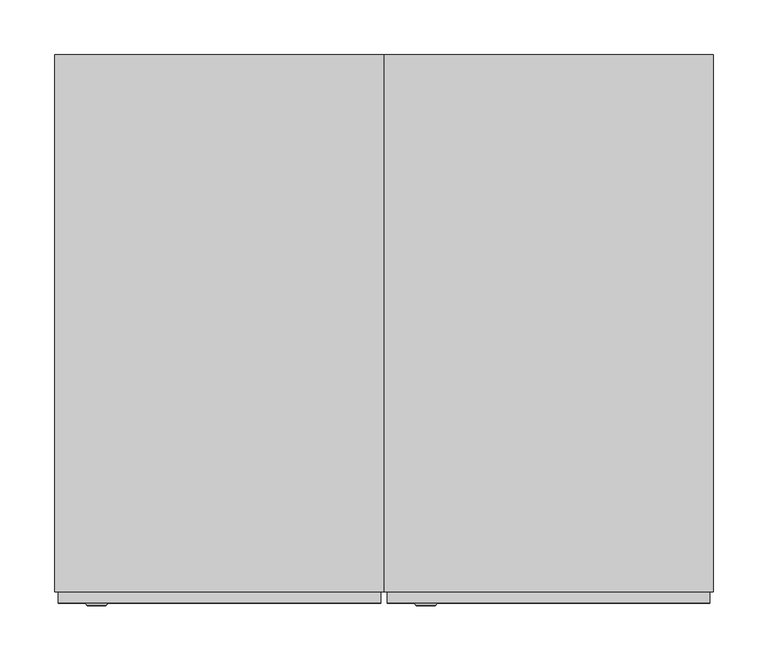
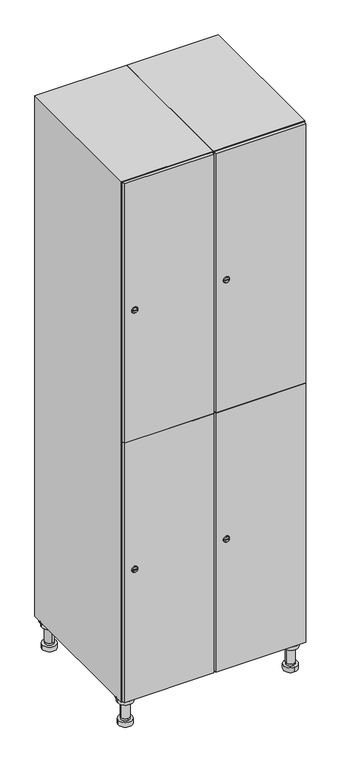
"""IFC4 building model written with IfcOpenShell, lengths in millimetres: furniture geometry."""

from ifc_helpers import new_model, si_unit, point, frame, frame_2d, origin, place, context, project, spatial, polyline, circle_curve, trimmed, segment, composite_curve, outline, extrude, faceted_brep, source, transform, mapped, element, save
from ifc_brep_helpers import plane_surface, cylinder_surface, revolved_surface, advanced_brep


def furniture_773fb39b(model_context):
    return source(origin(), model_context, "Body", "SolidModel", [
        advanced_brep(
        [(370.0, -201.0, 22.0), (370.0, -201.5, 16.0), (370.0, -228.5, 16.0), (370.0, -229.0, 22.0), (356.0, -215.0, 22.0), (384.0, -215.0, 22.0), (370.0, -192.5, 16.0), (370.0, -237.5, 16.0), (370.0, -192.5, 0.0), (370.0, -237.5, 0.0), (384.0, -215.0, 78.0), (356.0, -215.0, 78.0), (395.0, -215.0, 78.0), (345.0, -215.0, 78.0), (400.0, -215.0, 94.0), (340.0, -215.0, 94.0), (345.0, -215.0, 94.0), (395.0, -215.0, 94.0), (400.0, -215.0, 100.0), (340.0, -215.0, 100.0)],
        [
            (0, 1),
            (1, 2, circle_curve(frame((370.0, -215.0, 16.0), z_axis=(0.0, 0.0, 1.0), x_axis=(0.0, -1.0, 0.0)), 13.5)),
            (2, 3),
            (3, 4, circle_curve(frame((370.0, -215.0, 22.0), z_axis=(0.0, 0.0, -1.0), x_axis=(0.0, -1.0, 0.0)), 14.0)),
            (4, 0, circle_curve(frame((370.0, -215.0, 22.0), z_axis=(0.0, 0.0, -1.0), x_axis=(0.0, -1.0, 0.0)), 14.0)),
            (0, 5, circle_curve(frame((370.0, -215.0, 22.0), z_axis=(0.0, 0.0, -1.0), x_axis=(0.0, 1.0, 0.0)), 14.0)),
            (5, 3, circle_curve(frame((370.0, -215.0, 22.0), z_axis=(0.0, 0.0, -1.0), x_axis=(0.0, 1.0, 0.0)), 14.0)),
            (2, 1, circle_curve(frame((370.0, -215.0, 16.0), z_axis=(0.0, 0.0, 1.0), x_axis=(0.0, 1.0, 0.0)), 13.5)),
            (6, 7, circle_curve(frame((370.0, -215.0, 16.0), z_axis=(0.0, 0.0, 1.0), x_axis=(0.0, -1.0, 0.0)), 22.5)),
            (7, 6, circle_curve(frame((370.0, -215.0, 16.0), z_axis=(0.0, 0.0, 1.0), x_axis=(0.0, -1.0, 0.0)), 22.5)),
            (8, 9, circle_curve(frame((370.0, -215.0, 0.0), z_axis=(0.0, 0.0, -1.0), x_axis=(0.0, -1.0, 0.0)), 22.5)),
            (9, 8, circle_curve(frame((370.0, -215.0, 0.0), z_axis=(0.0, 0.0, -1.0), x_axis=(0.0, -1.0, 0.0)), 22.5)),
            (6, 8),
            (9, 7),
            (5, 10),
            (10, 11, circle_curve(frame((370.0, -215.0, 78.0), z_axis=(0.0, 0.0, -1.0), x_axis=(-1.0, 0.0, 0.0)), 14.0)),
            (11, 4),
            (11, 10, circle_curve(frame((370.0, -215.0, 78.0), z_axis=(0.0, 0.0, -1.0), x_axis=(-1.0, 0.0, 0.0)), 14.0)),
            (12, 13, circle_curve(frame((370.0, -215.0, 78.0), z_axis=(0.0, 0.0, -1.0), x_axis=(-1.0, 0.0, 0.0)), 25.0)),
            (13, 12, circle_curve(frame((370.0, -215.0, 78.0), z_axis=(0.0, 0.0, -1.0), x_axis=(-1.0, 0.0, 0.0)), 25.0)),
            (14, 15, circle_curve(frame((370.0, -215.0, 94.0), z_axis=(0.0, 0.0, -1.0), x_axis=(-1.0, 0.0, 0.0)), 30.0)),
            (15, 14, circle_curve(frame((370.0, -215.0, 94.0), z_axis=(0.0, 0.0, -1.0), x_axis=(-1.0, 0.0, 0.0)), 30.0)),
            (16, 17, circle_curve(frame((370.0, -215.0, 94.0), z_axis=(0.0, 0.0, 1.0), x_axis=(-1.0, 0.0, 0.0)), 25.0)),
            (17, 16, circle_curve(frame((370.0, -215.0, 94.0), z_axis=(0.0, 0.0, 1.0), x_axis=(-1.0, 0.0, 0.0)), 25.0)),
            (18, 19, circle_curve(frame((370.0, -215.0, 100.0), z_axis=(0.0, 0.0, 1.0), x_axis=(-1.0, 0.0, 0.0)), 30.0)),
            (19, 18, circle_curve(frame((370.0, -215.0, 100.0), z_axis=(0.0, 0.0, 1.0), x_axis=(-1.0, 0.0, 0.0)), 30.0)),
            (14, 18),
            (19, 15),
            (12, 17),
            (16, 13),
        ],
        [
            revolved_surface(polyline([(370.0, -201.5, 16.0), (370.0, -201.0, 22.0)]), (370.0, -215.0, -146.0), (0.0, 0.0, 1.0)),
            plane_surface(frame((370.0, 0.0, 16.0), z_axis=(0.0, 0.0, 1.0), x_axis=(0.0, -1.0, 0.0))),
            plane_surface(frame((370.0, 0.0, 0.0), z_axis=(0.0, 0.0, -1.0), x_axis=(0.0, -1.0, 0.0))),
            cylinder_surface(frame((370.0, -215.0, 16.0), z_axis=(0.0, 0.0, 1.0), x_axis=(0.0, -1.0, 0.0)), 22.5),
            cylinder_surface(frame((370.0, -215.0, 22.0), z_axis=(0.0, 0.0, -1.0), x_axis=(-1.0, 0.0, 0.0)), 14.0),
            plane_surface(frame((370.0, 0.0, 78.0), z_axis=(0.0, 0.0, -1.0), x_axis=(0.0, -1.0, 0.0))),
            plane_surface(frame((370.0, 0.0, 94.0), z_axis=(0.0, 0.0, -1.0), x_axis=(0.0, -1.0, 0.0))),
            plane_surface(frame((370.0, 0.0, 100.0), z_axis=(0.0, 0.0, 1.0), x_axis=(0.0, -1.0, 0.0))),
            cylinder_surface(frame((370.0, -215.0, 94.0), z_axis=(0.0, 0.0, -1.0), x_axis=(-1.0, 0.0, 0.0)), 30.0),
            cylinder_surface(frame((370.0, -215.0, 78.0), z_axis=(0.0, 0.0, -1.0), x_axis=(-1.0, 0.0, 0.0)), 25.0),
        ],
        [
            (0, [[1, 2, 3, 4, 5]]),
            (0, [[-1, 6, 7, -3, 8]]),
            (1, [[9, 10], [-2, -8]]),
            (2, [[11, 12]]),
            (3, [[-9, 13, -12, 14]]),
            (3, [[-10, -14, -11, -13]]),
            (4, [[15, 16, 17, -4, -7]]),
            (4, [[-15, -6, -5, -17, 18]]),
            (5, [[19, 20], [-16, -18]]),
            (6, [[21, 22], [23, 24]]),
            (7, [[25, 26]]),
            (8, [[-21, 27, -26, 28]]),
            (8, [[-22, -28, -25, -27]]),
            (9, [[-19, 29, -23, 30]]),
            (9, [[-20, -30, -24, -29]]),
        ],
    ),
        advanced_brep(
        [(-170.0, -201.0, 22.0), (-170.0, -201.5, 16.0), (-170.0, -228.5, 16.0), (-170.0, -229.0, 22.0), (-184.0, -215.0, 22.0), (-156.0, -215.0, 22.0), (-147.5, -215.0, 0.0), (-192.5, -215.0, 0.0), (-147.5, -215.0, 16.0), (-192.5, -215.0, 16.0), (-156.0, -215.0, 78.0), (-184.0, -215.0, 78.0), (-145.0, -215.0, 78.0), (-195.0, -215.0, 78.0), (-140.0, -215.0, 94.0), (-200.0, -215.0, 94.0), (-195.0, -215.0, 94.0), (-145.0, -215.0, 94.0), (-140.0, -215.0, 100.0), (-200.0, -215.0, 100.0)],
        [
            (0, 1),
            (1, 2, circle_curve(frame((-170.0, -215.0, 16.0), z_axis=(0.0, 0.0, 1.0), x_axis=(0.0, -1.0, 0.0)), 13.5)),
            (2, 3),
            (3, 4, circle_curve(frame((-170.0, -215.0, 22.0), z_axis=(0.0, 0.0, -1.0), x_axis=(0.0, -1.0, 0.0)), 14.0)),
            (4, 0, circle_curve(frame((-170.0, -215.0, 22.0), z_axis=(0.0, 0.0, -1.0), x_axis=(0.0, -1.0, 0.0)), 14.0)),
            (0, 5, circle_curve(frame((-170.0, -215.0, 22.0), z_axis=(0.0, 0.0, -1.0), x_axis=(0.0, 1.0, 0.0)), 14.0)),
            (5, 3, circle_curve(frame((-170.0, -215.0, 22.0), z_axis=(0.0, 0.0, -1.0), x_axis=(0.0, 1.0, 0.0)), 14.0)),
            (2, 1, circle_curve(frame((-170.0, -215.0, 16.0), z_axis=(0.0, 0.0, 1.0), x_axis=(0.0, 1.0, 0.0)), 13.5)),
            (6, 7, circle_curve(frame((-170.0, -215.0, 0.0), z_axis=(0.0, 0.0, -1.0), x_axis=(-1.0, 0.0, 0.0)), 22.5)),
            (7, 6, circle_curve(frame((-170.0, -215.0, 0.0), z_axis=(0.0, 0.0, -1.0), x_axis=(-1.0, 0.0, 0.0)), 22.5)),
            (8, 9, circle_curve(frame((-170.0, -215.0, 16.0), z_axis=(0.0, 0.0, 1.0), x_axis=(-1.0, 0.0, 0.0)), 22.5)),
            (9, 8, circle_curve(frame((-170.0, -215.0, 16.0), z_axis=(0.0, 0.0, 1.0), x_axis=(-1.0, 0.0, 0.0)), 22.5)),
            (6, 8),
            (9, 7),
            (5, 10),
            (10, 11, circle_curve(frame((-170.0, -215.0, 78.0), z_axis=(0.0, 0.0, -1.0), x_axis=(-1.0, 0.0, 0.0)), 14.0)),
            (11, 4),
            (11, 10, circle_curve(frame((-170.0, -215.0, 78.0), z_axis=(0.0, 0.0, -1.0), x_axis=(-1.0, 0.0, 0.0)), 14.0)),
            (12, 13, circle_curve(frame((-170.0, -215.0, 78.0), z_axis=(0.0, 0.0, -1.0), x_axis=(-1.0, 0.0, 0.0)), 25.0)),
            (13, 12, circle_curve(frame((-170.0, -215.0, 78.0), z_axis=(0.0, 0.0, -1.0), x_axis=(-1.0, 0.0, 0.0)), 25.0)),
            (14, 15, circle_curve(frame((-170.0, -215.0, 94.0), z_axis=(0.0, 0.0, -1.0), x_axis=(-1.0, 0.0, 0.0)), 30.0)),
            (15, 14, circle_curve(frame((-170.0, -215.0, 94.0), z_axis=(0.0, 0.0, -1.0), x_axis=(-1.0, 0.0, 0.0)), 30.0)),
            (16, 17, circle_curve(frame((-170.0, -215.0, 94.0), z_axis=(0.0, 0.0, 1.0), x_axis=(-1.0, 0.0, 0.0)), 25.0)),
            (17, 16, circle_curve(frame((-170.0, -215.0, 94.0), z_axis=(0.0, 0.0, 1.0), x_axis=(-1.0, 0.0, 0.0)), 25.0)),
            (18, 19, circle_curve(frame((-170.0, -215.0, 100.0), z_axis=(0.0, 0.0, 1.0), x_axis=(-1.0, 0.0, 0.0)), 30.0)),
            (19, 18, circle_curve(frame((-170.0, -215.0, 100.0), z_axis=(0.0, 0.0, 1.0), x_axis=(-1.0, 0.0, 0.0)), 30.0)),
            (14, 18),
            (19, 15),
            (12, 17),
            (16, 13),
        ],
        [
            revolved_surface(polyline([(-170.0, -201.5, 16.0), (-170.0, -201.0, 22.0)]), (-170.0, -215.0, -146.0), (0.0, 0.0, 1.0)),
            plane_surface(frame((-170.0, 0.0, 0.0), z_axis=(0.0, 0.0, -1.0), x_axis=(0.0, -1.0, 0.0))),
            plane_surface(frame((-170.0, 0.0, 16.0), z_axis=(0.0, 0.0, 1.0), x_axis=(0.0, -1.0, 0.0))),
            cylinder_surface(frame((-170.0, -215.0, 0.0), z_axis=(0.0, 0.0, -1.0), x_axis=(-1.0, 0.0, 0.0)), 22.5),
            cylinder_surface(frame((-170.0, -215.0, 22.0), z_axis=(0.0, 0.0, -1.0), x_axis=(-1.0, 0.0, 0.0)), 14.0),
            plane_surface(frame((-170.0, 0.0, 78.0), z_axis=(0.0, 0.0, -1.0), x_axis=(0.0, -1.0, 0.0))),
            plane_surface(frame((-170.0, 0.0, 94.0), z_axis=(0.0, 0.0, -1.0), x_axis=(0.0, -1.0, 0.0))),
            plane_surface(frame((-170.0, 0.0, 100.0), z_axis=(0.0, 0.0, 1.0), x_axis=(0.0, -1.0, 0.0))),
            cylinder_surface(frame((-170.0, -215.0, 94.0), z_axis=(0.0, 0.0, -1.0), x_axis=(-1.0, 0.0, 0.0)), 30.0),
            cylinder_surface(frame((-170.0, -215.0, 78.0), z_axis=(0.0, 0.0, -1.0), x_axis=(-1.0, 0.0, 0.0)), 25.0),
        ],
        [
            (0, [[1, 2, 3, 4, 5]]),
            (0, [[-1, 6, 7, -3, 8]]),
            (1, [[9, 10]]),
            (2, [[11, 12], [-2, -8]]),
            (3, [[-9, 13, -12, 14]]),
            (3, [[-10, -14, -11, -13]]),
            (4, [[15, 16, 17, -4, -7]]),
            (4, [[-15, -6, -5, -17, 18]]),
            (5, [[19, 20], [-16, -18]]),
            (6, [[21, 22], [23, 24]]),
            (7, [[25, 26]]),
            (8, [[-21, 27, -26, 28]]),
            (8, [[-22, -28, -25, -27]]),
            (9, [[-19, 29, -23, 30]]),
            (9, [[-20, -30, -24, -29]]),
        ],
    ),
        advanced_brep(
        [(383.5, 215.0, 16.0), (384.0, 215.0, 22.0), (356.0, 215.0, 22.0), (356.5, 215.0, 16.0), (392.5, 215.0, 0.0), (347.5, 215.0, 0.0), (392.5, 215.0, 16.0), (347.5, 215.0, 16.0), (384.0, 215.0, 78.0), (356.0, 215.0, 78.0), (395.0, 215.0, 78.0), (345.0, 215.0, 78.0), (400.0, 215.0, 94.0), (340.0, 215.0, 94.0), (345.0, 215.0, 94.0), (395.0, 215.0, 94.0), (400.0, 215.0, 100.0), (340.0, 215.0, 100.0)],
        [
            (0, 1),
            (1, 2, circle_curve(frame((370.0, 215.0, 22.0), z_axis=(0.0, 0.0, -1.0), x_axis=(-1.0, 0.0, 0.0)), 14.0)),
            (2, 3),
            (3, 0, circle_curve(frame((370.0, 215.0, 16.0), z_axis=(0.0, 0.0, 1.0), x_axis=(-1.0, 0.0, 0.0)), 13.5)),
            (0, 3, circle_curve(frame((370.0, 215.0, 16.0), z_axis=(0.0, 0.0, 1.0), x_axis=(1.0, 0.0, 0.0)), 13.5)),
            (2, 1, circle_curve(frame((370.0, 215.0, 22.0), z_axis=(0.0, 0.0, -1.0), x_axis=(1.0, 0.0, 0.0)), 14.0)),
            (4, 5, circle_curve(frame((370.0, 215.0, 0.0), z_axis=(0.0, 0.0, -1.0), x_axis=(-1.0, 0.0, 0.0)), 22.5)),
            (5, 4, circle_curve(frame((370.0, 215.0, 0.0), z_axis=(0.0, 0.0, -1.0), x_axis=(-1.0, 0.0, 0.0)), 22.5)),
            (6, 7, circle_curve(frame((370.0, 215.0, 16.0), z_axis=(0.0, 0.0, 1.0), x_axis=(-1.0, 0.0, 0.0)), 22.5)),
            (7, 6, circle_curve(frame((370.0, 215.0, 16.0), z_axis=(0.0, 0.0, 1.0), x_axis=(-1.0, 0.0, 0.0)), 22.5)),
            (4, 6),
            (7, 5),
            (1, 8),
            (8, 9, circle_curve(frame((370.0, 215.0, 78.0), z_axis=(0.0, 0.0, -1.0), x_axis=(-1.0, 0.0, 0.0)), 14.0)),
            (9, 2),
            (9, 8, circle_curve(frame((370.0, 215.0, 78.0), z_axis=(0.0, 0.0, -1.0), x_axis=(-1.0, 0.0, 0.0)), 14.0)),
            (10, 11, circle_curve(frame((370.0, 215.0, 78.0), z_axis=(0.0, 0.0, -1.0), x_axis=(-1.0, 0.0, 0.0)), 25.0)),
            (11, 10, circle_curve(frame((370.0, 215.0, 78.0), z_axis=(0.0, 0.0, -1.0), x_axis=(-1.0, 0.0, 0.0)), 25.0)),
            (12, 13, circle_curve(frame((370.0, 215.0, 94.0), z_axis=(0.0, 0.0, -1.0), x_axis=(-1.0, 0.0, 0.0)), 30.0)),
            (13, 12, circle_curve(frame((370.0, 215.0, 94.0), z_axis=(0.0, 0.0, -1.0), x_axis=(-1.0, 0.0, 0.0)), 30.0)),
            (14, 15, circle_curve(frame((370.0, 215.0, 94.0), z_axis=(0.0, 0.0, 1.0), x_axis=(-1.0, 0.0, 0.0)), 25.0)),
            (15, 14, circle_curve(frame((370.0, 215.0, 94.0), z_axis=(0.0, 0.0, 1.0), x_axis=(-1.0, 0.0, 0.0)), 25.0)),
            (16, 17, circle_curve(frame((370.0, 215.0, 100.0), z_axis=(0.0, 0.0, 1.0), x_axis=(-1.0, 0.0, 0.0)), 30.0)),
            (17, 16, circle_curve(frame((370.0, 215.0, 100.0), z_axis=(0.0, 0.0, 1.0), x_axis=(-1.0, 0.0, 0.0)), 30.0)),
            (12, 16),
            (17, 13),
            (10, 15),
            (14, 11),
        ],
        [
            revolved_surface(polyline([(383.5, 215.0, 16.0), (384.0, 215.0, 22.0)]), (370.0, 215.0, -146.0), (0.0, 0.0, 1.0)),
            plane_surface(frame((370.0, 0.0, 0.0), z_axis=(0.0, 0.0, -1.0), x_axis=(0.0, -1.0, 0.0))),
            plane_surface(frame((370.0, 0.0, 16.0), z_axis=(0.0, 0.0, 1.0), x_axis=(0.0, -1.0, 0.0))),
            cylinder_surface(frame((370.0, 215.0, 0.0), z_axis=(0.0, 0.0, -1.0), x_axis=(-1.0, 0.0, 0.0)), 22.5),
            cylinder_surface(frame((370.0, 215.0, 22.0), z_axis=(0.0, 0.0, -1.0), x_axis=(-1.0, 0.0, 0.0)), 14.0),
            plane_surface(frame((370.0, 0.0, 78.0), z_axis=(0.0, 0.0, -1.0), x_axis=(0.0, -1.0, 0.0))),
            plane_surface(frame((370.0, 0.0, 94.0), z_axis=(0.0, 0.0, -1.0), x_axis=(0.0, -1.0, 0.0))),
            plane_surface(frame((370.0, 0.0, 100.0), z_axis=(0.0, 0.0, 1.0), x_axis=(0.0, -1.0, 0.0))),
            cylinder_surface(frame((370.0, 215.0, 94.0), z_axis=(0.0, 0.0, -1.0), x_axis=(-1.0, 0.0, 0.0)), 30.0),
            cylinder_surface(frame((370.0, 215.0, 78.0), z_axis=(0.0, 0.0, -1.0), x_axis=(-1.0, 0.0, 0.0)), 25.0),
        ],
        [
            (0, [[1, 2, 3, 4]]),
            (0, [[-1, 5, -3, 6]]),
            (1, [[7, 8]]),
            (2, [[9, 10], [-4, -5]]),
            (3, [[-7, 11, -10, 12]]),
            (3, [[-8, -12, -9, -11]]),
            (4, [[13, 14, 15, -2]]),
            (4, [[-13, -6, -15, 16]]),
            (5, [[17, 18], [-14, -16]]),
            (6, [[19, 20], [21, 22]]),
            (7, [[23, 24]]),
            (8, [[-19, 25, -24, 26]]),
            (8, [[-20, -26, -23, -25]]),
            (9, [[-17, 27, -21, 28]]),
            (9, [[-18, -28, -22, -27]]),
        ],
    ),
        advanced_brep(
        [(-156.5, 215.0, 16.0), (-156.0, 215.0, 22.0), (-170.0, 201.0, 22.0), (-184.0, 215.0, 22.0), (-183.5, 215.0, 16.0), (-170.0, 229.0, 22.0), (-147.5, 215.0, 0.0), (-192.5, 215.0, 0.0), (-147.5, 215.0, 16.0), (-192.5, 215.0, 16.0), (-170.0, 229.0, 78.0), (-170.0, 201.0, 78.0), (-145.0, 215.0, 78.0), (-195.0, 215.0, 78.0), (-140.0, 215.0, 94.0), (-200.0, 215.0, 94.0), (-195.0, 215.0, 94.0), (-145.0, 215.0, 94.0), (-140.0, 215.0, 100.0), (-200.0, 215.0, 100.0)],
        [
            (0, 1),
            (1, 2, circle_curve(frame((-170.0, 215.0, 22.0), z_axis=(0.0, 0.0, -1.0), x_axis=(-1.0, 0.0, 0.0)), 14.0)),
            (2, 3, circle_curve(frame((-170.0, 215.0, 22.0), z_axis=(0.0, 0.0, -1.0), x_axis=(-1.0, 0.0, 0.0)), 14.0)),
            (3, 4),
            (4, 0, circle_curve(frame((-170.0, 215.0, 16.0), z_axis=(0.0, 0.0, 1.0), x_axis=(-1.0, 0.0, 0.0)), 13.5)),
            (0, 4, circle_curve(frame((-170.0, 215.0, 16.0), z_axis=(0.0, 0.0, 1.0), x_axis=(1.0, 0.0, 0.0)), 13.5)),
            (3, 5, circle_curve(frame((-170.0, 215.0, 22.0), z_axis=(0.0, 0.0, -1.0), x_axis=(1.0, 0.0, 0.0)), 14.0)),
            (5, 1, circle_curve(frame((-170.0, 215.0, 22.0), z_axis=(0.0, 0.0, -1.0), x_axis=(1.0, 0.0, 0.0)), 14.0)),
            (6, 7, circle_curve(frame((-170.0, 215.0, 0.0), z_axis=(0.0, 0.0, -1.0), x_axis=(-1.0, 0.0, 0.0)), 22.5)),
            (7, 6, circle_curve(frame((-170.0, 215.0, 0.0), z_axis=(0.0, 0.0, -1.0), x_axis=(-1.0, 0.0, 0.0)), 22.5)),
            (8, 9, circle_curve(frame((-170.0, 215.0, 16.0), z_axis=(0.0, 0.0, 1.0), x_axis=(-1.0, 0.0, 0.0)), 22.5)),
            (9, 8, circle_curve(frame((-170.0, 215.0, 16.0), z_axis=(0.0, 0.0, 1.0), x_axis=(-1.0, 0.0, 0.0)), 22.5)),
            (6, 8),
            (9, 7),
            (10, 5),
            (2, 11),
            (11, 10, circle_curve(frame((-170.0, 215.0, 78.0), z_axis=(0.0, 0.0, -1.0), x_axis=(0.0, -1.0, 0.0)), 14.0)),
            (10, 11, circle_curve(frame((-170.0, 215.0, 78.0), z_axis=(0.0, 0.0, -1.0), x_axis=(0.0, -1.0, 0.0)), 14.0)),
            (12, 13, circle_curve(frame((-170.0, 215.0, 78.0), z_axis=(0.0, 0.0, -1.0), x_axis=(-1.0, 0.0, 0.0)), 25.0)),
            (13, 12, circle_curve(frame((-170.0, 215.0, 78.0), z_axis=(0.0, 0.0, -1.0), x_axis=(-1.0, 0.0, 0.0)), 25.0)),
            (14, 15, circle_curve(frame((-170.0, 215.0, 94.0), z_axis=(0.0, 0.0, -1.0), x_axis=(-1.0, 0.0, 0.0)), 30.0)),
            (15, 14, circle_curve(frame((-170.0, 215.0, 94.0), z_axis=(0.0, 0.0, -1.0), x_axis=(-1.0, 0.0, 0.0)), 30.0)),
            (16, 17, circle_curve(frame((-170.0, 215.0, 94.0), z_axis=(0.0, 0.0, 1.0), x_axis=(-1.0, 0.0, 0.0)), 25.0)),
            (17, 16, circle_curve(frame((-170.0, 215.0, 94.0), z_axis=(0.0, 0.0, 1.0), x_axis=(-1.0, 0.0, 0.0)), 25.0)),
            (18, 19, circle_curve(frame((-170.0, 215.0, 100.0), z_axis=(0.0, 0.0, 1.0), x_axis=(-1.0, 0.0, 0.0)), 30.0)),
            (19, 18, circle_curve(frame((-170.0, 215.0, 100.0), z_axis=(0.0, 0.0, 1.0), x_axis=(-1.0, 0.0, 0.0)), 30.0)),
            (14, 18),
            (19, 15),
            (12, 17),
            (16, 13),
        ],
        [
            revolved_surface(polyline([(-156.5, 215.0, 16.0), (-156.0, 215.0, 22.0)]), (-170.0, 215.0, -146.0), (0.0, 0.0, 1.0)),
            plane_surface(frame((-170.0, 0.0, 0.0), z_axis=(0.0, 0.0, -1.0), x_axis=(0.0, -1.0, 0.0))),
            plane_surface(frame((-170.0, 0.0, 16.0), z_axis=(0.0, 0.0, 1.0), x_axis=(0.0, -1.0, 0.0))),
            cylinder_surface(frame((-170.0, 215.0, 0.0), z_axis=(0.0, 0.0, -1.0), x_axis=(-1.0, 0.0, 0.0)), 22.5),
            cylinder_surface(frame((-170.0, 215.0, 78.0), z_axis=(0.0, 0.0, 1.0), x_axis=(0.0, -1.0, 0.0)), 14.0),
            plane_surface(frame((-170.0, 0.0, 78.0), z_axis=(0.0, 0.0, -1.0), x_axis=(0.0, -1.0, 0.0))),
            plane_surface(frame((-170.0, 0.0, 94.0), z_axis=(0.0, 0.0, -1.0), x_axis=(0.0, -1.0, 0.0))),
            plane_surface(frame((-170.0, 0.0, 100.0), z_axis=(0.0, 0.0, 1.0), x_axis=(0.0, -1.0, 0.0))),
            cylinder_surface(frame((-170.0, 215.0, 94.0), z_axis=(0.0, 0.0, -1.0), x_axis=(-1.0, 0.0, 0.0)), 30.0),
            cylinder_surface(frame((-170.0, 215.0, 78.0), z_axis=(0.0, 0.0, -1.0), x_axis=(-1.0, 0.0, 0.0)), 25.0),
        ],
        [
            (0, [[1, 2, 3, 4, 5]]),
            (0, [[-1, 6, -4, 7, 8]]),
            (1, [[9, 10]]),
            (2, [[11, 12], [-5, -6]]),
            (3, [[-9, 13, -12, 14]]),
            (3, [[-10, -14, -11, -13]]),
            (4, [[15, -7, -3, 16, 17]]),
            (4, [[-15, 18, -16, -2, -8]]),
            (5, [[19, 20], [-17, -18]]),
            (6, [[21, 22], [23, 24]]),
            (7, [[25, 26]]),
            (8, [[-21, 27, -26, 28]]),
            (8, [[-22, -28, -25, -27]]),
            (9, [[-19, 29, -23, 30]]),
            (9, [[-20, -30, -24, -29]]),
        ],
    ),
        extrude(outline(composite_curve([segment(trimmed(circle_curve(frame_2d((551.5, 111.2010534)), 7.0), [point((558.5, 111.2010534))], [point((544.5, 111.2010534))], False, "CARTESIAN"), True, "CONTINUOUS"), segment(polyline([(544.5, 111.2010534), (544.5, 139.2010534)]), True, "CONTINUOUS"), segment(trimmed(circle_curve(frame_2d((551.5, 139.2010534)), 7.0), [point((544.5, 139.2010534))], [point((558.5, 139.2010534))], False, "CARTESIAN"), True, "CONTINUOUS"), segment(polyline([(558.5, 139.2010534), (558.5, 111.2010534)]), True, "CONTINUOUS")], self_intersect=False)), frame((0.0, -245.0, 0.0), z_axis=(0.0, 1.0, 0.0), x_axis=(0.0, 0.0, 1.0)), (0.0, 0.0, 1.0), 2.0),
        advanced_brep(
        [(146.5, -257.2, 551.5), (129.5, -257.2, 551.5), (133.0, -257.2, 550.25), (133.0, -257.2, 552.75), (143.0, -257.2, 552.75), (143.0, -257.2, 550.25), (148.5, -255.0, 551.5), (127.5, -255.0, 551.5), (133.0, -255.0, 552.75), (133.0, -255.0, 550.25), (143.0, -255.0, 550.25), (143.0, -255.0, 552.75)],
        [
            (0, 1, circle_curve(frame((138.0, -257.2, 551.5), z_axis=(0.0, -1.0, 0.0), x_axis=(1.0, 0.0, 0.0)), 8.5)),
            (1, 0, circle_curve(frame((138.0, -257.2, 551.5), z_axis=(0.0, -1.0, 0.0), x_axis=(-1.0, 0.0, 0.0)), 8.5)),
            (2, 3),
            (3, 4),
            (4, 5),
            (5, 2),
            (6, 7, circle_curve(frame((138.0, -255.0, 551.5), z_axis=(0.0, 1.0, 0.0), x_axis=(-1.0, 0.0, 0.0)), 10.5)),
            (7, 6, circle_curve(frame((138.0, -255.0, 551.5), z_axis=(0.0, 1.0, 0.0), x_axis=(1.0, 0.0, 0.0)), 10.5)),
            (8, 9),
            (9, 10),
            (10, 11),
            (11, 8),
            (0, 6),
            (7, 1),
            (8, 3),
            (2, 9),
            (11, 4),
            (10, 5),
        ],
        [
            plane_surface(frame((138.0, -257.2, 551.5), z_axis=(0.0, -1.0, 0.0), x_axis=(0.0, 0.0, 1.0))),
            plane_surface(frame((138.0, -255.0, 551.5), z_axis=(0.0, 1.0, 0.0), x_axis=(0.0, 0.0, 1.0))),
            revolved_surface(polyline([(146.5, -257.2, 551.5), (148.5, -255.0, 551.5)]), (138.0, -266.55, 551.5), (0.0, 1.0, 0.0)),
            revolved_surface(polyline([(129.5, -257.2, 551.5), (127.5, -255.0, 551.5)]), (138.0, -266.55, 551.5), (0.0, 1.0, 0.0)),
            plane_surface(frame((133.0, -255.0, 550.25), z_axis=(1.0, 0.0, 0.0), x_axis=(0.0, -1.0, 0.0))),
            plane_surface(frame((133.0, -255.0, 552.75), z_axis=(0.0, 0.0, -1.0), x_axis=(0.0, -1.0, 0.0))),
            plane_surface(frame((143.0, -255.0, 552.75), z_axis=(-1.0, 0.0, 0.0), x_axis=(0.0, -1.0, 0.0))),
            plane_surface(frame((143.0, -255.0, 550.25), z_axis=(0.0, 0.0, 1.0), x_axis=(0.0, -1.0, 0.0))),
        ],
        [
            (0, [[1, 2], [3, 4, 5, 6]]),
            (1, [[7, 8], [9, 10, 11, 12]]),
            (2, [[-1, 13, -8, 14]]),
            (3, [[-2, -14, -7, -13]]),
            (4, [[15, -3, 16, -9]]),
            (5, [[-15, -12, 17, -4]]),
            (6, [[-17, -11, 18, -5]]),
            (7, [[-16, -6, -18, -10]]),
        ],
    ),
        extrude(outline(composite_curve([segment(trimmed(circle_curve(frame_2d((1448.5, 111.2010534)), 7.0), [point((1455.5, 111.2010534))], [point((1441.5, 111.2010534))], False, "CARTESIAN"), True, "CONTINUOUS"), segment(polyline([(1441.5, 111.2010534), (1441.5, 139.2010534)]), True, "CONTINUOUS"), segment(trimmed(circle_curve(frame_2d((1448.5, 139.2010534)), 7.0), [point((1441.5, 139.2010534))], [point((1455.5, 139.2010534))], False, "CARTESIAN"), True, "CONTINUOUS"), segment(polyline([(1455.5, 139.2010534), (1455.5, 111.2010534)]), True, "CONTINUOUS")], self_intersect=False)), frame((0.0, -245.0, 0.0), z_axis=(0.0, 1.0, 0.0), x_axis=(0.0, 0.0, 1.0)), (0.0, 0.0, 1.0), 2.0),
        advanced_brep(
        [(146.5, -257.2, 1448.5), (129.5, -257.2, 1448.5), (133.0, -257.2, 1447.25), (133.0, -257.2, 1449.75), (143.0, -257.2, 1449.75), (143.0, -257.2, 1447.25), (148.5, -255.0, 1448.5), (127.5, -255.0, 1448.5), (133.0, -255.0, 1449.75), (133.0, -255.0, 1447.25), (143.0, -255.0, 1447.25), (143.0, -255.0, 1449.75)],
        [
            (0, 1, circle_curve(frame((138.0, -257.2, 1448.5), z_axis=(0.0, -1.0, 0.0), x_axis=(1.0, 0.0, 0.0)), 8.5)),
            (1, 0, circle_curve(frame((138.0, -257.2, 1448.5), z_axis=(0.0, -1.0, 0.0), x_axis=(-1.0, 0.0, 0.0)), 8.5)),
            (2, 3),
            (3, 4),
            (4, 5),
            (5, 2),
            (6, 7, circle_curve(frame((138.0, -255.0, 1448.5), z_axis=(0.0, 1.0, 0.0), x_axis=(-1.0, 0.0, 0.0)), 10.5)),
            (7, 6, circle_curve(frame((138.0, -255.0, 1448.5), z_axis=(0.0, 1.0, 0.0), x_axis=(1.0, 0.0, 0.0)), 10.5)),
            (8, 9),
            (9, 10),
            (10, 11),
            (11, 8),
            (0, 6),
            (7, 1),
            (8, 3),
            (2, 9),
            (11, 4),
            (10, 5),
        ],
        [
            plane_surface(frame((138.0, -257.2, 1448.5), z_axis=(0.0, -1.0, 0.0), x_axis=(0.0, 0.0, 1.0))),
            plane_surface(frame((138.0, -255.0, 1448.5), z_axis=(0.0, 1.0, 0.0), x_axis=(0.0, 0.0, 1.0))),
            revolved_surface(polyline([(146.5, -257.2, 1448.5), (148.5, -255.0, 1448.5)]), (138.0, -266.55, 1448.5), (0.0, 1.0, 0.0)),
            revolved_surface(polyline([(129.5, -257.2, 1448.5), (127.5, -255.0, 1448.5)]), (138.0, -266.55, 1448.5), (0.0, 1.0, 0.0)),
            plane_surface(frame((133.0, -255.0, 1447.25), z_axis=(1.0, 0.0, 0.0), x_axis=(0.0, -1.0, 0.0))),
            plane_surface(frame((133.0, -255.0, 1449.75), z_axis=(0.0, 0.0, -1.0), x_axis=(0.0, -1.0, 0.0))),
            plane_surface(frame((143.0, -255.0, 1449.75), z_axis=(-1.0, 0.0, 0.0), x_axis=(0.0, -1.0, 0.0))),
            plane_surface(frame((143.0, -255.0, 1447.25), z_axis=(0.0, 0.0, 1.0), x_axis=(0.0, -1.0, 0.0))),
        ],
        [
            (0, [[1, 2], [3, 4, 5, 6]]),
            (1, [[7, 8], [9, 10, 11, 12]]),
            (2, [[-1, 13, -8, 14]]),
            (3, [[-2, -14, -7, -13]]),
            (4, [[15, -3, 16, -9]]),
            (5, [[-15, -12, 17, -4]]),
            (6, [[-17, -11, 18, -5]]),
            (7, [[-16, -6, -18, -10]]),
        ],
    ),
        extrude(outline(polyline([(103.0, -255.0), (103.0, -245.0), (397.0, -245.0), (397.0, -255.0), (103.0, -255.0)])), frame((0.0, 0.0, 103.0), z_axis=(0.0, 0.0, 1.0), x_axis=(1.0, 0.0, 0.0)), (0.0, 0.0, 1.0), 896.5),
        extrude(outline(polyline([(397.0, -245.0), (397.0, -255.0), (103.0, -255.0), (103.0, -245.0), (397.0, -245.0)])), frame((0.0, 0.0, 1000.5), z_axis=(0.0, 0.0, 1.0), x_axis=(1.0, 0.0, 0.0)), (0.0, 0.0, 1.0), 896.5),
        extrude(outline(polyline([(390.0, 241.0), (390.0, -235.0), (110.0, -235.0), (110.0, 241.0), (390.0, 241.0)])), frame((0.0, 0.0, 995.0), z_axis=(0.0, 0.0, 1.0), x_axis=(1.0, 0.0, 0.0)), (0.0, 0.0, 1.0), 10.0),
        faceted_brep([(400.0, -245.0, 100.0), (400.0, -245.0, 1900.0), (100.0, -245.0, 1900.0), (100.0, -245.0, 100.0), (390.0, -245.0, 1890.0), (390.0, -245.0, 110.0), (110.0, -245.0, 110.0), (110.0, -245.0, 1890.0), (400.0, 245.0, 100.0), (100.0, 245.0, 100.0), (400.0, 245.0, 1900.0), (100.0, 245.0, 1900.0), (390.0, 241.0, 1890.0), (390.0, 241.0, 110.0), (100.0, 245.0, 1890.0), (110.0, 241.0, 1890.0), (110.0, 241.0, 110.0)], [[[0, 1, 2, 3], [4, 5, 6, 7]], [[8, 0, 3, 9]], [[1, 0, 8, 10]], [[1, 10, 11, 2]], [[4, 12, 13, 5]], [[9, 3, 2, 11, 14]], [[10, 8, 9, 14, 11]], [[12, 15, 16, 13]], [[15, 7, 6, 16]], [[4, 7, 15, 12]], [[6, 5, 13, 16]]]),
        extrude(outline(composite_curve([segment(trimmed(circle_curve(frame_2d((551.5, -188.7989466)), 7.0), [point((558.5, -188.7989466))], [point((544.5, -188.7989466))], False, "CARTESIAN"), True, "CONTINUOUS"), segment(polyline([(544.5, -188.7989466), (544.5, -160.7989466)]), True, "CONTINUOUS"), segment(trimmed(circle_curve(frame_2d((551.5, -160.7989466)), 7.0), [point((544.5, -160.7989466))], [point((558.5, -160.7989466))], False, "CARTESIAN"), True, "CONTINUOUS"), segment(polyline([(558.5, -160.7989466), (558.5, -188.7989466)]), True, "CONTINUOUS")], self_intersect=False)), frame((0.0, -245.0, 0.0), z_axis=(0.0, 1.0, 0.0), x_axis=(0.0, 0.0, 1.0)), (0.0, 0.0, 1.0), 2.0),
        advanced_brep(
        [(-153.5, -257.2, 551.5), (-170.5, -257.2, 551.5), (-167.0, -257.2, 550.25), (-167.0, -257.2, 552.75), (-157.0, -257.2, 552.75), (-157.0, -257.2, 550.25), (-151.5, -255.0, 551.5), (-172.5, -255.0, 551.5), (-167.0, -255.0, 552.75), (-167.0, -255.0, 550.25), (-157.0, -255.0, 550.25), (-157.0, -255.0, 552.75)],
        [
            (0, 1, circle_curve(frame((-162.0, -257.2, 551.5), z_axis=(0.0, -1.0, 0.0), x_axis=(1.0, 0.0, 0.0)), 8.5)),
            (1, 0, circle_curve(frame((-162.0, -257.2, 551.5), z_axis=(0.0, -1.0, 0.0), x_axis=(-1.0, 0.0, 0.0)), 8.5)),
            (2, 3),
            (3, 4),
            (4, 5),
            (5, 2),
            (6, 7, circle_curve(frame((-162.0, -255.0, 551.5), z_axis=(0.0, 1.0, 0.0), x_axis=(-1.0, 0.0, 0.0)), 10.5)),
            (7, 6, circle_curve(frame((-162.0, -255.0, 551.5), z_axis=(0.0, 1.0, 0.0), x_axis=(1.0, 0.0, 0.0)), 10.5)),
            (8, 9),
            (9, 10),
            (10, 11),
            (11, 8),
            (0, 6),
            (7, 1),
            (8, 3),
            (2, 9),
            (11, 4),
            (10, 5),
        ],
        [
            plane_surface(frame((-162.0, -257.2, 551.5), z_axis=(0.0, -1.0, 0.0), x_axis=(0.0, 0.0, 1.0))),
            plane_surface(frame((-162.0, -255.0, 551.5), z_axis=(0.0, 1.0, 0.0), x_axis=(0.0, 0.0, 1.0))),
            revolved_surface(polyline([(-153.5, -257.2, 551.5), (-151.5, -255.0, 551.5)]), (-162.0, -266.55, 551.5), (0.0, 1.0, 0.0)),
            revolved_surface(polyline([(-170.5, -257.2, 551.5), (-172.5, -255.0, 551.5)]), (-162.0, -266.55, 551.5), (0.0, 1.0, 0.0)),
            plane_surface(frame((-167.0, -255.0, 550.25), z_axis=(1.0, 0.0, 0.0), x_axis=(0.0, -1.0, 0.0))),
            plane_surface(frame((-167.0, -255.0, 552.75), z_axis=(0.0, 0.0, -1.0), x_axis=(0.0, -1.0, 0.0))),
            plane_surface(frame((-157.0, -255.0, 552.75), z_axis=(-1.0, 0.0, 0.0), x_axis=(0.0, -1.0, 0.0))),
            plane_surface(frame((-157.0, -255.0, 550.25), z_axis=(0.0, 0.0, 1.0), x_axis=(0.0, -1.0, 0.0))),
        ],
        [
            (0, [[1, 2], [3, 4, 5, 6]]),
            (1, [[7, 8], [9, 10, 11, 12]]),
            (2, [[-1, 13, -8, 14]]),
            (3, [[-2, -14, -7, -13]]),
            (4, [[15, -3, 16, -9]]),
            (5, [[-15, -12, 17, -4]]),
            (6, [[-17, -11, 18, -5]]),
            (7, [[-16, -6, -18, -10]]),
        ],
    ),
        extrude(outline(composite_curve([segment(trimmed(circle_curve(frame_2d((1448.5, -188.7989466)), 7.0), [point((1455.5, -188.7989466))], [point((1441.5, -188.7989466))], False, "CARTESIAN"), True, "CONTINUOUS"), segment(polyline([(1441.5, -188.7989466), (1441.5, -160.7989466)]), True, "CONTINUOUS"), segment(trimmed(circle_curve(frame_2d((1448.5, -160.7989466)), 7.0), [point((1441.5, -160.7989466))], [point((1455.5, -160.7989466))], False, "CARTESIAN"), True, "CONTINUOUS"), segment(polyline([(1455.5, -160.7989466), (1455.5, -188.7989466)]), True, "CONTINUOUS")], self_intersect=False)), frame((0.0, -245.0, 0.0), z_axis=(0.0, 1.0, 0.0), x_axis=(0.0, 0.0, 1.0)), (0.0, 0.0, 1.0), 2.0),
        advanced_brep(
        [(-153.5, -257.2, 1448.5), (-170.5, -257.2, 1448.5), (-167.0, -257.2, 1447.25), (-167.0, -257.2, 1449.75), (-157.0, -257.2, 1449.75), (-157.0, -257.2, 1447.25), (-151.5, -255.0, 1448.5), (-172.5, -255.0, 1448.5), (-167.0, -255.0, 1449.75), (-167.0, -255.0, 1447.25), (-157.0, -255.0, 1447.25), (-157.0, -255.0, 1449.75)],
        [
            (0, 1, circle_curve(frame((-162.0, -257.2, 1448.5), z_axis=(0.0, -1.0, 0.0), x_axis=(1.0, 0.0, 0.0)), 8.5)),
            (1, 0, circle_curve(frame((-162.0, -257.2, 1448.5), z_axis=(0.0, -1.0, 0.0), x_axis=(-1.0, 0.0, 0.0)), 8.5)),
            (2, 3),
            (3, 4),
            (4, 5),
            (5, 2),
            (6, 7, circle_curve(frame((-162.0, -255.0, 1448.5), z_axis=(0.0, 1.0, 0.0), x_axis=(-1.0, 0.0, 0.0)), 10.5)),
            (7, 6, circle_curve(frame((-162.0, -255.0, 1448.5), z_axis=(0.0, 1.0, 0.0), x_axis=(1.0, 0.0, 0.0)), 10.5)),
            (8, 9),
            (9, 10),
            (10, 11),
            (11, 8),
            (0, 6),
            (7, 1),
            (8, 3),
            (2, 9),
            (11, 4),
            (10, 5),
        ],
        [
            plane_surface(frame((-162.0, -257.2, 1448.5), z_axis=(0.0, -1.0, 0.0), x_axis=(0.0, 0.0, 1.0))),
            plane_surface(frame((-162.0, -255.0, 1448.5), z_axis=(0.0, 1.0, 0.0), x_axis=(0.0, 0.0, 1.0))),
            revolved_surface(polyline([(-153.5, -257.2, 1448.5), (-151.5, -255.0, 1448.5)]), (-162.0, -266.55, 1448.5), (0.0, 1.0, 0.0)),
            revolved_surface(polyline([(-170.5, -257.2, 1448.5), (-172.5, -255.0, 1448.5)]), (-162.0, -266.55, 1448.5), (0.0, 1.0, 0.0)),
            plane_surface(frame((-167.0, -255.0, 1447.25), z_axis=(1.0, 0.0, 0.0), x_axis=(0.0, -1.0, 0.0))),
            plane_surface(frame((-167.0, -255.0, 1449.75), z_axis=(0.0, 0.0, -1.0), x_axis=(0.0, -1.0, 0.0))),
            plane_surface(frame((-157.0, -255.0, 1449.75), z_axis=(-1.0, 0.0, 0.0), x_axis=(0.0, -1.0, 0.0))),
            plane_surface(frame((-157.0, -255.0, 1447.25), z_axis=(0.0, 0.0, 1.0), x_axis=(0.0, -1.0, 0.0))),
        ],
        [
            (0, [[1, 2], [3, 4, 5, 6]]),
            (1, [[7, 8], [9, 10, 11, 12]]),
            (2, [[-1, 13, -8, 14]]),
            (3, [[-2, -14, -7, -13]]),
            (4, [[15, -3, 16, -9]]),
            (5, [[-15, -12, 17, -4]]),
            (6, [[-17, -11, 18, -5]]),
            (7, [[-16, -6, -18, -10]]),
        ],
    ),
        extrude(outline(polyline([(-197.0, -255.0), (-197.0, -245.0), (97.0, -245.0), (97.0, -255.0), (-197.0, -255.0)])), frame((0.0, 0.0, 103.0), z_axis=(0.0, 0.0, 1.0), x_axis=(1.0, 0.0, 0.0)), (0.0, 0.0, 1.0), 896.5),
        extrude(outline(polyline([(97.0, -245.0), (97.0, -255.0), (-197.0, -255.0), (-197.0, -245.0), (97.0, -245.0)])), frame((0.0, 0.0, 1000.5), z_axis=(0.0, 0.0, 1.0), x_axis=(1.0, 0.0, 0.0)), (0.0, 0.0, 1.0), 896.5),
        extrude(outline(polyline([(90.0, 241.0), (90.0, -235.0), (-190.0, -235.0), (-190.0, 241.0), (90.0, 241.0)])), frame((0.0, 0.0, 995.0), z_axis=(0.0, 0.0, 1.0), x_axis=(1.0, 0.0, 0.0)), (0.0, 0.0, 1.0), 10.0),
        faceted_brep([(100.0, -245.0, 100.0), (100.0, -245.0, 1900.0), (-200.0, -245.0, 1900.0), (-200.0, -245.0, 100.0), (90.0, -245.0, 1890.0), (90.0, -245.0, 110.0), (-190.0, -245.0, 110.0), (-190.0, -245.0, 1890.0), (100.0, 245.0, 100.0), (-200.0, 245.0, 100.0), (100.0, 245.0, 1900.0), (-200.0, 245.0, 1900.0), (90.0, 241.0, 1890.0), (90.0, 241.0, 110.0), (-200.0, 245.0, 1890.0), (-190.0, 241.0, 1890.0), (-190.0, 241.0, 110.0)], [[[0, 1, 2, 3], [4, 5, 6, 7]], [[8, 0, 3, 9]], [[1, 0, 8, 10]], [[1, 10, 11, 2]], [[4, 12, 13, 5]], [[9, 3, 2, 11, 14]], [[10, 8, 9, 14, 11]], [[12, 15, 16, 13]], [[15, 7, 6, 16]], [[4, 7, 15, 12]], [[6, 5, 13, 16]]]),
    ])


if __name__ == "__main__":
    model = new_model("IFC4")
    model_context = context("Model", 3, world=origin())
    ifc_project = project(units=[si_unit("LENGTHUNIT", "METRE", prefix="MILLI")], contexts=[model_context])
    site = spatial("IfcSite", under=ifc_project)
    building = spatial("IfcBuilding", under=site)
    placement = place(None, origin())
    furniture_shape = furniture_773fb39b(model_context)
    element("IfcFurniture", 1, at=placement, inside=building, context=model_context, shape_type="MappedRepresentation", body=[
        mapped(furniture_shape, transform((0.0, 0.0, 0.0), x_axis=(1.0, 0.0, 0.0), y_axis=(0.0, 1.0, 0.0), z_axis=(0.0, 0.0, 1.0))),
    ])
    save(model, "model.ifc")
